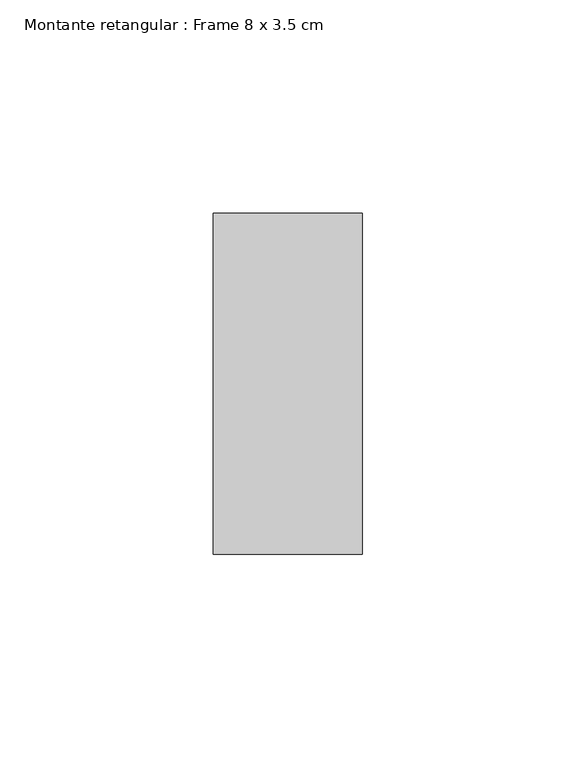
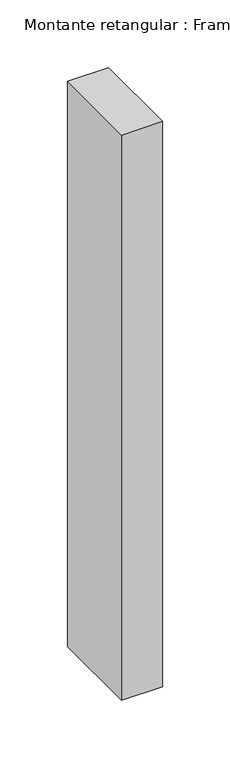
"""IFC4 building model written with IfcOpenShell, lengths in millimetres: member geometry, Montante retangular : Frame 8 x 3.5 cm."""

from ifc_helpers import new_model, si_unit, frame, origin, place, context, project, spatial, polyline, outline, extrude, source, transform, mapped, element, save


def montante_retangular_frame_8_x_3_5_cm_01e97dab(model_context):
    return source(origin(), model_context, "Body", "SweptSolid", [
        extrude(outline(polyline([(17.5, 40.0), (17.5, -40.0), (-17.5, -40.0), (-17.5, 40.0), (17.5, 40.0)])), frame((0.0, 0.0, -510.0), z_axis=(0.0, 0.0, 1.0), x_axis=(1.0, 0.0, 0.0)), (0.0, 0.0, 1.0), 510.0),
    ])


if __name__ == "__main__":
    model = new_model("IFC4")
    model_context = context("Model", 3, world=origin())
    ifc_project = project(units=[si_unit("LENGTHUNIT", "METRE", prefix="MILLI")], contexts=[model_context])
    site = spatial("IfcSite", under=ifc_project)
    building = spatial("IfcBuilding", under=site)
    placement = place(None, origin())
    montante_retangular_frame_8_x_3_5_cm_shape = montante_retangular_frame_8_x_3_5_cm_01e97dab(model_context)
    element("IfcMember", 1, ObjectType="Montante retangular : Frame 8 x 3.5 cm", at=placement, inside=building, context=model_context, shape_type="MappedRepresentation", body=[
        mapped(montante_retangular_frame_8_x_3_5_cm_shape, transform((0.0, 0.0, 0.0), x_axis=(1.0, 0.0, 0.0), y_axis=(0.0, 1.0, 0.0), z_axis=(0.0, 0.0, 1.0))),
    ])
    save(model, "model.ifc")
